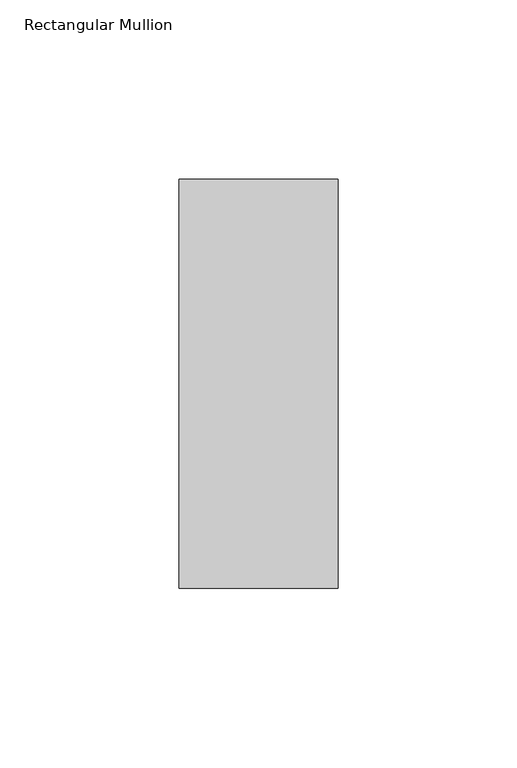
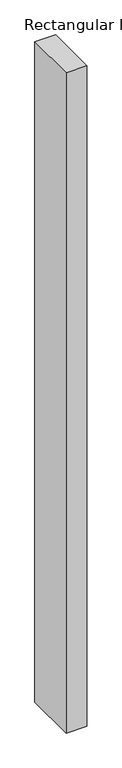
"""IFC4 building model written with IfcOpenShell, lengths in millimetres: member geometry, Rectangular Mullion."""

from ifc_helpers import new_model, si_unit, frame, origin, place, context, project, spatial, polyline, outline, extrude, source, transform, mapped, element, save


def rectangular_mullion_4f64b893(model_context):
    return source(origin(), model_context, "Body", "SweptSolid", [
        extrude(outline(polyline([(0.0, 57.1373), (0.0, -57.1079043), (-44.4386654, -57.1079043), (-44.4386654, 57.1373), (0.0, 57.1373)])), frame((0.0, 0.0, -1479.5613346), z_axis=(0.0, 0.0, 1.0), x_axis=(1.0, 0.0, 0.0)), (0.0, 0.0, 1.0), 1479.5613346),
    ])


if __name__ == "__main__":
    model = new_model("IFC4")
    model_context = context("Model", 3, world=origin())
    ifc_project = project(units=[si_unit("LENGTHUNIT", "METRE", prefix="MILLI")], contexts=[model_context])
    site = spatial("IfcSite", under=ifc_project)
    building = spatial("IfcBuilding", under=site)
    placement = place(None, origin())
    rectangular_mullion_shape = rectangular_mullion_4f64b893(model_context)
    element("IfcMember", 1, ObjectType="Rectangular Mullion", at=placement, inside=building, context=model_context, shape_type="MappedRepresentation", body=[
        mapped(rectangular_mullion_shape, transform((0.0, 0.0, 0.0), x_axis=(1.0, 0.0, 0.0), y_axis=(0.0, 1.0, 0.0), z_axis=(0.0, 0.0, 1.0))),
    ])
    save(model, "model.ifc")
